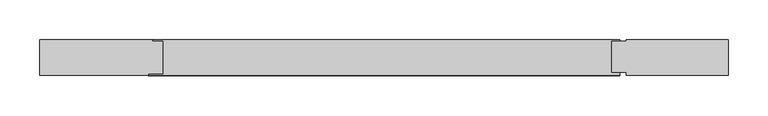
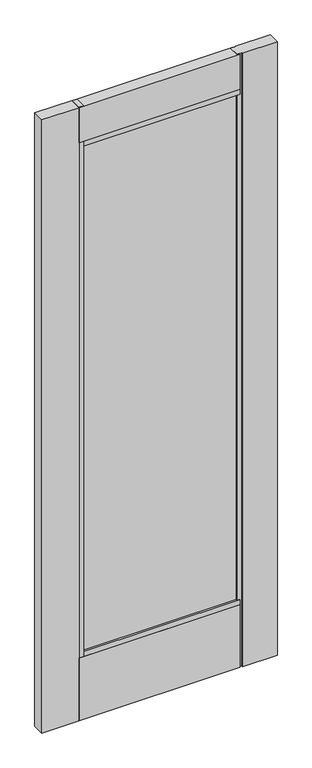
"""IFC4 building model written with IfcOpenShell, lengths in millimetres: plate geometry."""

from ifc_helpers import new_model, si_unit, frame, origin, place, context, project, spatial, polyline, outline, extrude, source, transform, mapped, element, save


def plate_c2abe87e(model_context):
    return source(origin(), model_context, "Body", "SweptSolid", [
        extrude(outline(polyline([(-428.0452987, 12.7), (-287.0116119, 12.7), (-287.0116119, 11.1401195), (-274.3116119, 11.1401195), (-274.3116119, -29.8804584), (-292.3007581, -29.8804584), (-292.3007581, -31.75), (-428.0452987, -31.75), (-428.0452987, 12.7)])), frame((0.0, 0.0, 17.4625), z_axis=(0.0, 0.0, 1.0), x_axis=(1.0, 0.0, 0.0)), (0.0, 0.0, 1.0), 2372.4513117),
        extrude(outline(polyline([(-287.9922944, -22.0576082), (-287.9922944, 3.2280704), (290.7419161, 3.2280704), (290.7419161, -22.0576082), (-287.9922944, -22.0576082)])), frame((0.0, 0.0, 263.906), z_axis=(0.0, 0.0, 1.0), x_axis=(1.0, 0.0, 0.0)), (0.0, 0.0, 1.0), 1984.7352977),
        extrude(outline(polyline([(434.3952987, 12.7), (434.3952987, -31.75), (306.5983737, -31.75), (306.5983737, -27.6447968), (288.5991119, -27.6447968), (288.5991119, 11.1401195), (306.5983737, 11.1401195), (306.5983737, 12.7), (434.3952987, 12.7)])), frame((0.0, 0.0, 17.4625), z_axis=(0.0, 0.0, 1.0), x_axis=(1.0, 0.0, 0.0)), (0.0, 0.0, 1.0), 2372.4513117),
        extrude(outline(polyline([(-31.75, 2389.9138117), (12.7, 2389.9138117), (12.7, 2253.4065917), (11.1401195, 2253.4065917), (11.1401195, 2234.3537977), (-29.8804584, 2234.3537977), (-29.8804584, 2253.4065917), (-31.75, 2253.4065917), (-31.75, 2389.9138117)])), frame((-292.3007581, 0.0, 0.0), z_axis=(1.0, 0.0, 0.0), x_axis=(0.0, 1.0, 0.0)), (0.0, 0.0, 1.0), 590.9616317),
        extrude(outline(polyline([(-29.8804584, 277.8125), (11.1401195, 277.8125), (11.1401195, 258.7303916), (12.7, 258.7303916), (12.7, 17.4625), (-31.75, 17.4625), (-31.75, 258.7303916), (-29.8804584, 258.7303916), (-29.8804584, 277.8125)])), frame((-292.3007581, 0.0, 0.0), z_axis=(1.0, 0.0, 0.0), x_axis=(0.0, 1.0, 0.0)), (0.0, 0.0, 1.0), 590.9616317),
    ])


if __name__ == "__main__":
    model = new_model("IFC4")
    model_context = context("Model", 3, world=origin())
    ifc_project = project(units=[si_unit("LENGTHUNIT", "METRE", prefix="MILLI")], contexts=[model_context])
    site = spatial("IfcSite", under=ifc_project)
    building = spatial("IfcBuilding", under=site)
    placement = place(None, origin())
    plate_shape = plate_c2abe87e(model_context)
    element("IfcPlate", 1, at=placement, inside=building, context=model_context, shape_type="MappedRepresentation", body=[
        mapped(plate_shape, transform((0.0, 0.0, 0.0), x_axis=(1.0, 0.0, 0.0), y_axis=(0.0, 1.0, 0.0), z_axis=(0.0, 0.0, 1.0))),
    ])
    save(model, "model.ifc")
